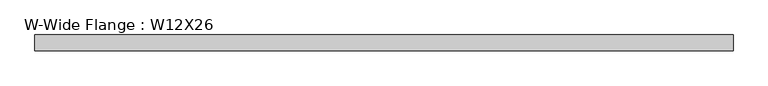
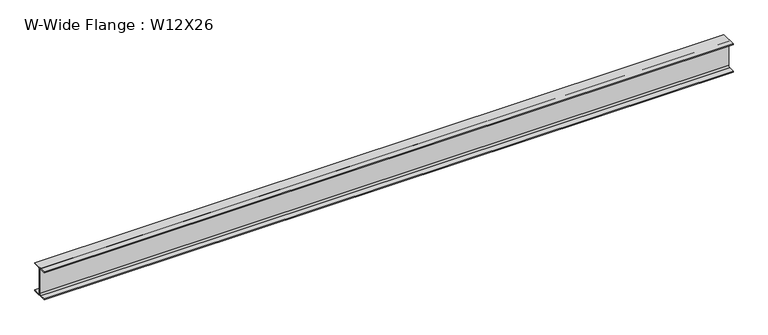
"""IFC4 building model written with IfcOpenShell, lengths in millimetres: beam geometry, W-Wide Flange : W12X26."""

from ifc_helpers import new_model, si_unit, point, frame, frame_2d, origin, place, context, project, spatial, polyline, circle_curve, trimmed, segment, composite_curve, outline, extrude, source, transform, mapped, element, save


def w_wide_flange_w12x26_c73534e5(model_context):
    return source(origin(), model_context, "Body", "SweptSolid", [
        extrude(outline(composite_curve([segment(polyline([(82.4011719, -145.5539063), (82.4011719, -155.178125), (-82.4011719, -155.178125), (-82.4011719, -145.5539063), (-20.2902344, -145.5539063)]), True, "CONTINUOUS"), segment(trimmed(circle_curve(frame_2d((-20.2902344, -128.190625)), 17.3632812), [point((-20.2902344, -145.5539063))], [point((-2.9269531, -128.190625))], True, "CARTESIAN"), True, "CONTINUOUS"), segment(polyline([(-2.9269531, -128.190625), (-2.9269531, 128.190625)]), True, "CONTINUOUS"), segment(trimmed(circle_curve(frame_2d((-20.2902344, 128.190625)), 17.3632812), [point((-2.9269531, 128.190625))], [point((-20.2902344, 145.5539062))], True, "CARTESIAN"), True, "CONTINUOUS"), segment(polyline([(-20.2902344, 145.5539062), (-82.4011719, 145.5539062), (-82.4011719, 155.178125), (82.4011719, 155.178125), (82.4011719, 145.5539062), (20.2902344, 145.5539062)]), True, "CONTINUOUS"), segment(trimmed(circle_curve(frame_2d((20.2902344, 128.190625)), 17.3632812), [point((20.2902344, 145.5539062))], [point((2.9269531, 128.190625))], True, "CARTESIAN"), True, "CONTINUOUS"), segment(polyline([(2.9269531, 128.190625), (2.9269531, -128.190625)]), True, "CONTINUOUS"), segment(trimmed(circle_curve(frame_2d((20.2902344, -128.190625)), 17.3632812), [point((2.9269531, -128.190625))], [point((20.2902344, -145.5539063))], True, "CARTESIAN"), True, "CONTINUOUS"), segment(polyline([(20.2902344, -145.5539063), (82.4011719, -145.5539063)]), True, "CONTINUOUS")], self_intersect=False)), frame((-3589.8079337, 0.0, 0.0), z_axis=(1.0, 0.0, 0.0), x_axis=(0.0, 1.0, 0.0)), (0.0, 0.0, 1.0), 7179.6158674),
    ])


if __name__ == "__main__":
    model = new_model("IFC4")
    model_context = context("Model", 3, world=origin())
    ifc_project = project(units=[si_unit("LENGTHUNIT", "METRE", prefix="MILLI")], contexts=[model_context])
    site = spatial("IfcSite", under=ifc_project)
    building = spatial("IfcBuilding", under=site)
    placement = place(None, origin())
    w_wide_flange_w12x26_shape = w_wide_flange_w12x26_c73534e5(model_context)
    element("IfcBeam", 1, ObjectType="W-Wide Flange : W12X26", at=placement, inside=building, context=model_context, shape_type="MappedRepresentation", body=[
        mapped(w_wide_flange_w12x26_shape, transform((0.0, 0.0, 0.0), x_axis=(1.0, 0.0, 0.0), y_axis=(0.0, 1.0, 0.0), z_axis=(0.0, 0.0, 1.0))),
    ])
    save(model, "model.ifc")
